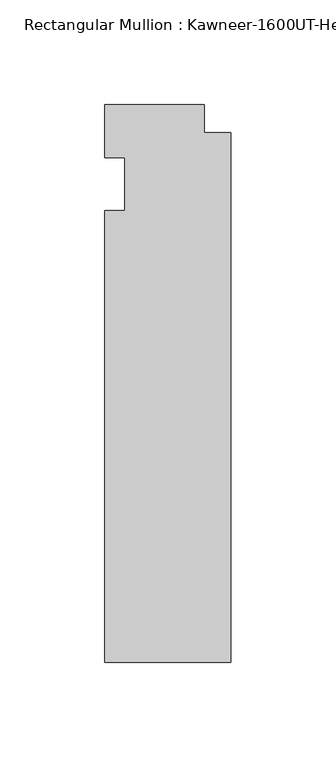
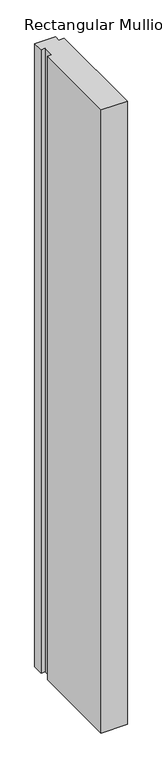
"""IFC4 building model written with IfcOpenShell, lengths in millimetres: member geometry."""

from ifc_helpers import new_model, si_unit, frame, origin, place, context, project, spatial, polyline, outline, extrude, source, transform, mapped, element, save


def member_67351c79(model_context):
    return source(origin(), model_context, "Body", "SweptSolid", [
        extrude(outline(polyline([(-60.325, -12.7), (-50.8, -12.7), (-50.8, 12.7), (-60.325, 12.7), (-60.325, 38.1), (-12.7, 38.1), (-12.7, 24.60625), (0.0, 24.60625), (0.0, -228.6), (-60.325, -228.6), (-60.325, -12.7)])), frame((0.0, 0.0, -1524.0), z_axis=(0.0, 0.0, 1.0), x_axis=(1.0, 0.0, 0.0)), (0.0, 0.0, 1.0), 1524.0),
    ])


if __name__ == "__main__":
    model = new_model("IFC4")
    model_context = context("Model", 3, world=origin())
    ifc_project = project(units=[si_unit("LENGTHUNIT", "METRE", prefix="MILLI")], contexts=[model_context])
    site = spatial("IfcSite", under=ifc_project)
    building = spatial("IfcBuilding", under=site)
    placement = place(None, origin())
    member_shape = member_67351c79(model_context)
    element("IfcMember", 1, ObjectType="Rectangular Mullion : Kawneer-1600UT-Head-Dbl_Glass-10_1/2\"", at=placement, inside=building, context=model_context, shape_type="MappedRepresentation", body=[
        mapped(member_shape, transform((0.0, 0.0, 0.0), x_axis=(1.0, 0.0, 0.0), y_axis=(0.0, 1.0, 0.0), z_axis=(0.0, 0.0, 1.0))),
    ])
    save(model, "model.ifc")
